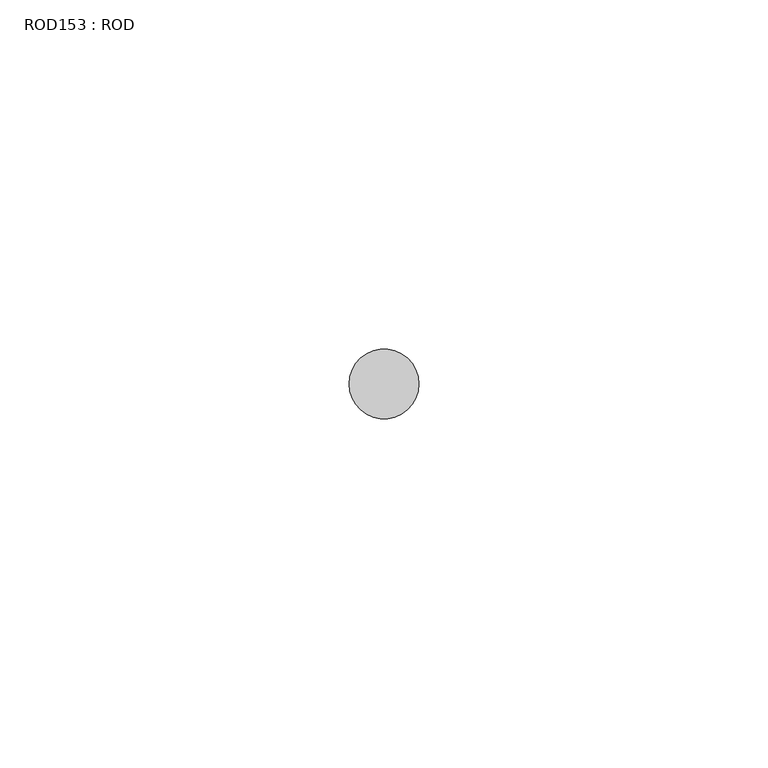
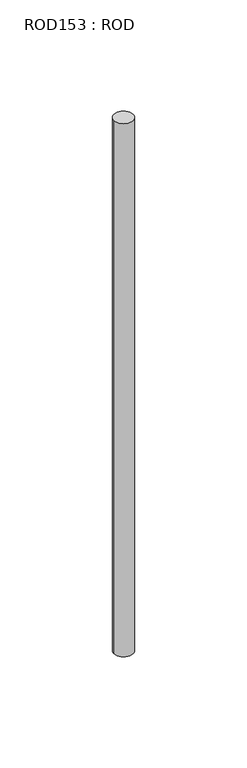
"""IFC4 building model written with IfcOpenShell, lengths in millimetres: proxy geometry, ROD153 : ROD."""

from ifc_helpers import new_model, si_unit, point, frame, frame_2d, origin, place, context, project, spatial, circle_curve, trimmed, segment, composite_curve, outline, extrude, source, transform, mapped, element, save


def rod153_rod_d66f436b(model_context):
    return source(origin(), model_context, "Body", "SweptSolid", [
        extrude(outline(composite_curve([segment(trimmed(circle_curve(frame_2d((-3200.2326676, -21766.6028424)), 5.0), [point((-3205.2326676, -21766.6028424))], [point((-3195.2326676, -21766.6028424))], False, "CARTESIAN"), True, "CONTINUOUS"), segment(trimmed(circle_curve(frame_2d((-3200.2326676, -21766.6028424)), 5.0), [point((-3195.2326676, -21766.6028424))], [point((-3205.2326676, -21766.6028424))], False, "CARTESIAN"), True, "CONTINUOUS")], self_intersect=False)), frame((0.0, 0.0, 166.3391155), z_axis=(0.0, 0.0, 1.0), x_axis=(1.0, 0.0, 0.0)), (0.0, 0.0, 1.0), 298.9028972),
    ])


if __name__ == "__main__":
    model = new_model("IFC4")
    model_context = context("Model", 3, world=origin())
    ifc_project = project(units=[si_unit("LENGTHUNIT", "METRE", prefix="MILLI")], contexts=[model_context])
    site = spatial("IfcSite", under=ifc_project)
    building = spatial("IfcBuilding", under=site)
    placement = place(None, origin())
    rod153_rod_shape = rod153_rod_d66f436b(model_context)
    element("IfcBuildingElementProxy", 1, Name="ROD153 : ROD", ObjectType="ROD153 : ROD", at=placement, inside=building, context=model_context, shape_type="MappedRepresentation", body=[
        mapped(rod153_rod_shape, transform((0.0, 0.0, 0.0), x_axis=(1.0, 0.0, 0.0), y_axis=(0.0, 1.0, 0.0), z_axis=(0.0, 0.0, 1.0))),
    ])
    save(model, "model.ifc")
